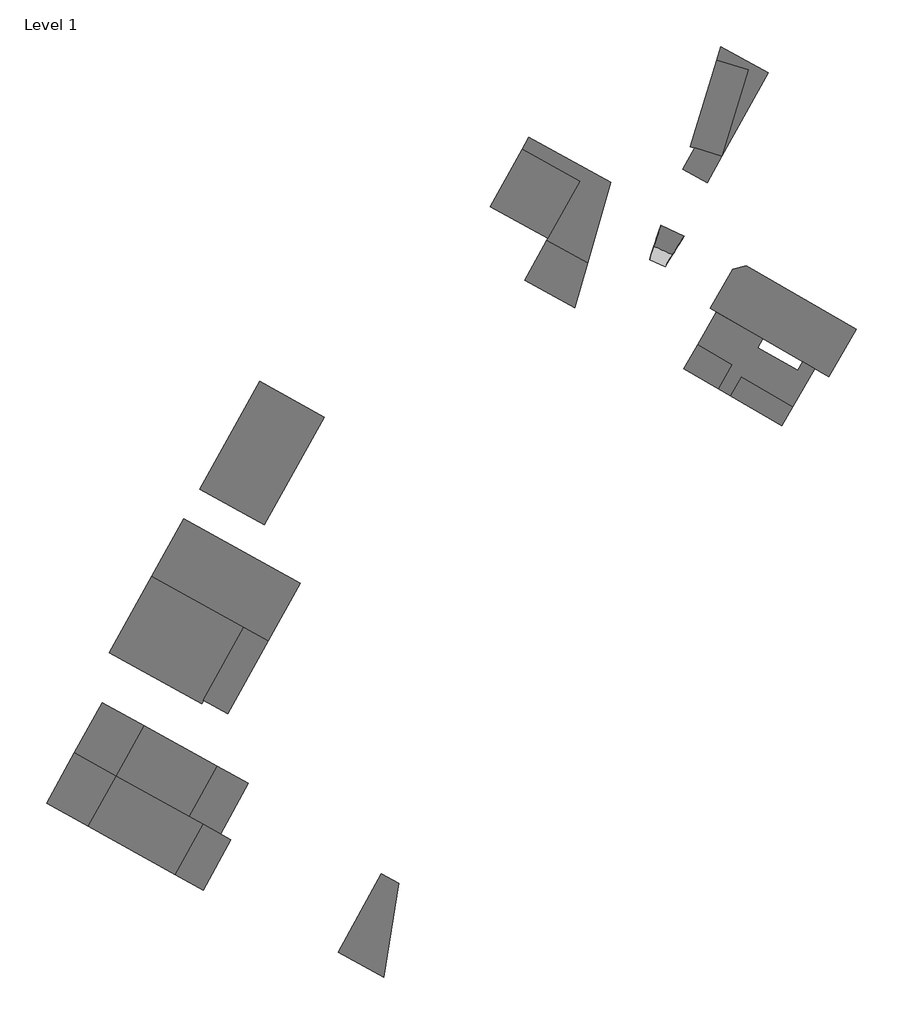
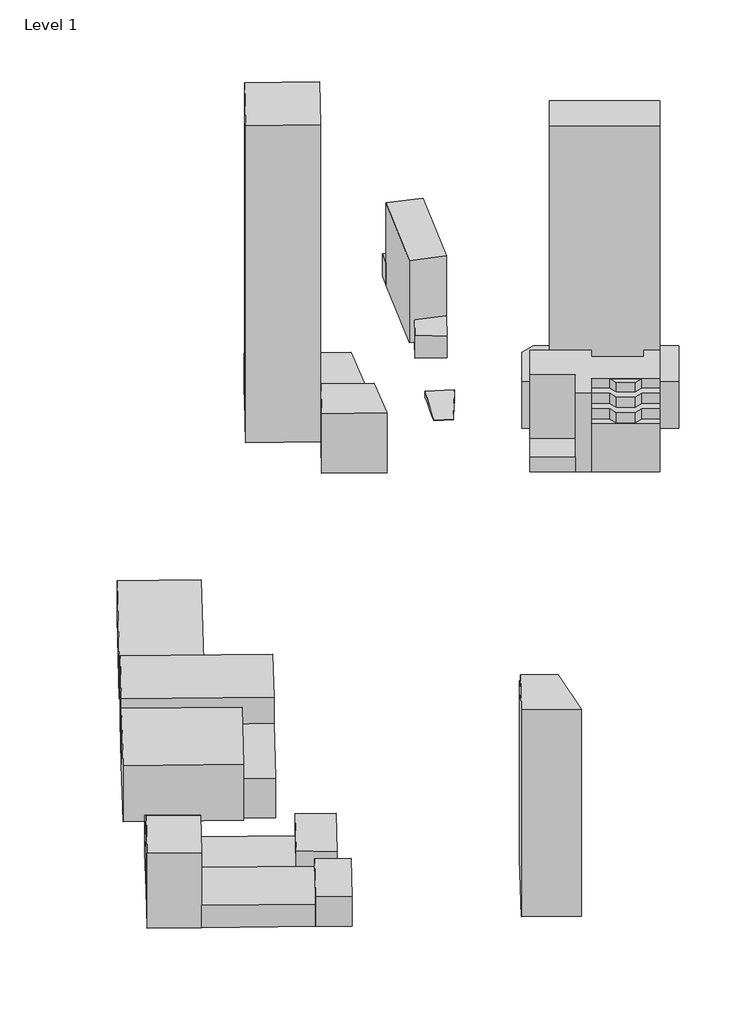
# One storey: 10 proxies.
"""IFC4 building model written with IfcOpenShell, lengths in millimetres."""

from ifc_helpers import new_model, si_unit, frame, origin, origin_with_axes, place, context, project, spatial, polyline, outline, extrude, faceted_brep, element, save
from ifc_brep_helpers import plane_surface, spline_surface, advanced_brep

model = new_model("IFC4")

# Units and contexts
model_context = context("Model", 3, world=origin())
ifc_project = project(units=[si_unit("LENGTHUNIT", "METRE", prefix="MILLI")], contexts=[model_context])

# Site, building, storey
site = spatial("IfcSite", under=ifc_project)
building = spatial("IfcBuilding", under=site)
storey = spatial("IfcBuildingStorey", under=building, Name="Level 1", Elevation=0.0)

# Proxies
placement = place(None, origin())
element("IfcBuildingElementProxy", 1, Name="Mass 1 : Mass 1", ObjectType="Mass 1 : Mass 1", at=placement, inside=storey, context=model_context, shape_type="Brep", body=[
    faceted_brep([(-140610.4541728, -362588.8204276, 0.0), (-140610.4541728, -362588.8204276, 95121.373936), (-143606.9876226, -381508.1880351, 95121.373936), (-143606.9876226, -381508.1880351, 111000.0), (-148101.7877973, -409887.2394464, 111000.0), (-148101.7877973, -409887.2394464, 0.0), (-171173.0841552, -397098.6110464, 111000.0), (-171173.0841552, -397098.6110464, 0.0), (-158083.2244086, -373483.8789537, 111000.0), (-158083.2244086, -373483.8789537, 95121.373936), (-149356.6512442, -357740.7242252, 95121.373936), (-149356.6512442, -357740.7242252, 0.0)], [[[0, 1, 2, 3, 4, 5]], [[5, 4, 6, 7]], [[7, 6, 8, 9, 10, 11]], [[8, 3, 2, 9]], [[4, 3, 8, 6]], [[0, 5, 7, 11]], [[0, 11, 10, 1]], [[1, 10, 9, 2]]]),
])
element("IfcBuildingElementProxy", 2, Name="Mass 10 : Mass 10", ObjectType="Mass 10 : Mass 10", at=placement, inside=storey, context=model_context, shape_type="SweptSolid", body=[
    extrude(outline(polyline([(2237.1889507, -3352.3007344), (8209.4785926, 7421.9949879), (21896.8470158, 3237.3465125), (14481.8648507, -10139.6354178), (2237.1889507, -3352.3007344)])), origin_with_axes(), (0.0, 0.0, 1.0), 12000.0),
    extrude(outline(polyline([(19287.7506796, 51577.9271814), (35189.6731241, 46716.2215959), (21896.8470158, 3237.3465125), (5994.9245713, 8099.0520979), (19287.7506796, 51577.9271814)])), origin_with_axes(), (0.0, 0.0, 1.0), 44000.0),
    extrude(outline(polyline([(45167.7087876, 45219.0924552), (21896.8470158, 3237.3465125), (35189.6731241, 46716.2215959), (19287.7506796, 51577.9271814), (21375.6781957, 58407.2303647), (45167.7087876, 45219.0924552)])), origin_with_axes(), (0.0, 0.0, 1.0), 12000.0),
])
element("IfcBuildingElementProxy", 3, Name="Mass 12 : Mass 12", ObjectType="Mass 12 : Mass 12", at=placement, inside=storey, context=model_context, shape_type="SweptSolid", body=[
    extrude(outline(polyline([(-94523.9815468, -22121.5444428), (-78525.2640786, 6740.9058928), (-49662.813743, -9257.8115753), (-65661.5312112, -38120.2619109), (-94523.9815468, -22121.5444428)])), origin_with_axes(), (0.0, 0.0, 1.0), 170000.0),
    extrude(outline(polyline([(-75131.5967369, 12863.2438428), (-34024.4705014, -9922.8083088), (-45622.8682733, -50371.2282242), (-66146.3408314, -38994.8816181), (-49662.813743, -9257.8115753), (-78525.2640786, 6740.9058928), (-75131.5967369, 12863.2438428)])), origin_with_axes(), (0.0, 0.0, 1.0), 20000.0),
])
element("IfcBuildingElementProxy", 4, Name="Mass 13 : Mass 13", ObjectType="Mass 13 : Mass 13", at=placement, inside=storey, context=model_context, shape_type="SweptSolid", body=[
    extrude(outline(polyline([(-77296.9620971, -59111.1348823), (-66146.3408314, -38994.8816181), (-45622.8682733, -50371.2282242), (-52129.2865357, -73061.80525), (-77296.9620971, -59111.1348823)])), origin_with_axes(), (0.0, 0.0, 1.0), 32000.0),
])
element("IfcBuildingElementProxy", 5, Name="Mass 19 : Mass 19", ObjectType="Mass 19 : Mass 19", at=placement, inside=storey, context=model_context, shape_type="SweptSolid", body=[
    extrude(outline(polyline([(-239108.7123003, -365942.95925), (-253102.6276145, -358186.005326), (-239043.1486273, -332822.033819), (-225049.2333131, -340578.9877429), (-239108.7123003, -365942.95925)])), origin_with_axes(), (0.0, 0.0, 1.0), 16000.0),
    extrude(outline(polyline([(-253102.6276145, -358186.005326), (-296833.6129715, -333945.5243137), (-282774.1339843, -308581.5528067), (-239043.1486273, -332822.033819), (-253102.6276145, -358186.005326)])), origin_with_axes(), (0.0, 0.0, 1.0), 12000.0),
    extrude(outline(polyline([(-317824.4859428, -322310.0934278), (-303765.0069557, -296946.1219207), (-282774.1339843, -308581.5528067), (-296833.6129715, -333945.5243137), (-317824.4859428, -322310.0934278)])), origin_with_axes(), (0.0, 0.0, 1.0), 40000.0),
    extrude(outline(polyline([(-216237.4725688, -312306.1585144), (-230296.9515559, -337670.1300214), (-246040.1062845, -328943.556857), (-231980.6272973, -303579.58535), (-216237.4725688, -312306.1585144)])), origin_with_axes(), (0.0, 0.0, 1.0), 20000.0),
    extrude(outline(polyline([(-231980.6272973, -303579.58535), (-246040.1062845, -328943.556857), (-282774.1339843, -308581.5528067), (-268714.6549972, -283217.5812996), (-231980.6272973, -303579.58535)])), origin_with_axes(), (0.0, 0.0, 1.0), 8000.0),
    extrude(outline(polyline([(-303765.0069557, -296946.1219207), (-289705.5279685, -271582.1504137), (-268714.6549972, -283217.5812996), (-282774.1339843, -308581.5528067), (-303765.0069557, -296946.1219207)])), origin_with_axes(), (0.0, 0.0, 1.0), 20000.0),
])
element("IfcBuildingElementProxy", 6, Name="Mass 20 : Mass 20", ObjectType="Mass 20 : Mass 20", at=placement, inside=storey, context=model_context, shape_type="SweptSolid", body=[
    extrude(outline(polyline([(-206284.9606361, -240453.029747), (-264884.4810144, -207970.7851905), (-248885.7635463, -179108.3348549), (-190286.243168, -211590.5794114), (-206284.9606361, -240453.029747)])), origin_with_axes(), (0.0, 0.0, 1.0), 35000.0),
    extrude(outline(polyline([(-238891.6405864, -270399.7227634), (-218529.636536, -233665.6950636), (-206284.9606361, -240453.029747), (-226646.9646864, -277187.0574469), (-238891.6405864, -270399.7227634)])), origin_with_axes(), (0.0, 0.0, 1.0), 21000.0),
    extrude(outline(polyline([(-239861.2598269, -272148.9621777), (-286216.1043053, -246454.0523047), (-264884.4810144, -207970.7851905), (-218529.636536, -233665.6950636), (-239861.2598269, -272148.9621777)])), origin_with_axes(), (0.0, 0.0, 1.0), 30000.0),
])
element("IfcBuildingElementProxy", 7, Name="Mass 21 : Mass 21", ObjectType="Mass 21 : Mass 21", at=placement, inside=storey, context=model_context, shape_type="SweptSolid", body=[
    extrude(outline(polyline([(-210585.8035468, -110013.3779909), (-178224.8743827, -127951.33394), (-208283.070838, -182177.7557827), (-240644.0000021, -164239.7998336), (-210585.8035468, -110013.3779909)])), origin_with_axes(), (0.0, 0.0, 1.0), 20000.0),
])
element("IfcBuildingElementProxy", 8, Name="Mass 7 : Mass 7", ObjectType="Mass 7 : Mass 7", at=placement, inside=storey, context=model_context, shape_type="SweptSolid", body=[
    extrude(outline(polyline([(9662.3052484, -91632.5000331), (26982.8133241, -101632.5000331), (19982.8133241, -113756.8556861), (2662.3052484, -103756.8556861), (9662.3052484, -91632.5000331)])), origin_with_axes(), (0.0, 0.0, 1.0), 8000.0),
    extrude(outline(polyline([(9662.3052484, -91632.5000331), (19184.3980256, -75139.7515486), (42567.0839278, -88639.7515486), (40044.9911506, -93008.1443801), (59963.5754377, -104508.1443801), (62463.5754377, -100178.0173612), (68525.7532642, -103678.0173612), (57525.7532642, -122730.5762444), (31544.9911506, -107730.5762444), (26044.9911506, -117256.8556861), (19982.8133241, -113756.8556861), (26982.8133241, -101632.5000331), (9662.3052484, -91632.5000331)])), origin_with_axes(), (0.0, 0.0, 1.0), 42000.0),
    extrude(outline(polyline([(57525.7532642, -122730.5762444), (52025.7532642, -132256.8556861), (26044.9911506, -117256.8556861), (31544.9911506, -107730.5762444), (57525.7532642, -122730.5762444)])), origin_with_axes(), (0.0, 0.0, 1.0), 26000.0),
    extrude(outline(polyline([(46597.5500339, -125658.7794747), (42499.4738225, -126756.8556861), (35571.2705922, -122756.8556861), (34473.1943809, -118658.7794747), (27544.9911506, -114658.7794747), (31544.9911506, -107730.5762444), (57525.7532642, -122730.5762444), (53525.7532642, -129658.7794747), (46597.5500339, -125658.7794747)])), frame((0.0, 0.0, 26000.0), z_axis=(0.0, 0.0, 1.0), x_axis=(1.0, 0.0, 0.0)), (0.0, 0.0, 1.0), 5500.0),
    extrude(outline(polyline([(44499.4738225, -123292.7540709), (37571.2705922, -119292.7540709), (36473.1943809, -115194.6778596), (29544.9911506, -111194.6778596), (31544.9911506, -107730.5762444), (57525.7532642, -122730.5762444), (55525.7532642, -126194.6778596), (48597.5500339, -122194.6778596), (44499.4738225, -123292.7540709)])), frame((0.0, 0.0, 31500.0), z_axis=(0.0, 0.0, 1.0), x_axis=(1.0, 0.0, 0.0)), (0.0, 0.0, 1.0), 5500.0),
    extrude(outline(polyline([(50597.5500339, -118730.5762444), (46499.4738225, -119828.6524558), (39571.2705922, -115828.6524558), (38473.1943809, -111730.5762444), (50597.5500339, -118730.5762444)])), frame((0.0, 0.0, 37000.0), z_axis=(0.0, 0.0, 1.0), x_axis=(1.0, 0.0, 0.0)), (0.0, 0.0, 1.0), 5000.0),
])
element("IfcBuildingElementProxy", 9, Name="Mass 8 : Mass 8", ObjectType="Mass 8 : Mass 8", at=placement, inside=storey, context=model_context, shape_type="SweptSolid", body=[
    extrude(outline(polyline([(16026.3396288, -73316.4456831), (27344.7282583, -53712.4215171), (34174.8552772, -51882.2944982), (89600.4811194, -83882.2944982), (75782.09249, -107816.4456831), (16026.3396288, -73316.4456831)])), origin_with_axes(), (0.0, 0.0, 1.0), 25000.0),
    extrude(outline(polyline([(26595.0010718, -79418.2652122), (36290.1517787, -62625.7716008), (78242.9967482, -86847.2579372), (68547.8460413, -103639.7515486), (26595.0010718, -79418.2652122)])), frame((0.0, 0.0, 25000.0), z_axis=(0.0, 0.0, 1.0), x_axis=(1.0, 0.0, 0.0)), (0.0, 0.0, 1.0), 137000.0),
])
element("IfcBuildingElementProxy", 10, Name="Mass 9 : Mass 9", ObjectType="Mass 9 : Mass 9", at=placement, inside=storey, context=model_context, shape_type="AdvancedBrep", body=[
    advanced_brep(
    [(2845.789653, -37159.8764721, 0.0), (-8936.2115785, -31665.8390695, 0.0), (-8666.9719744, -31088.4528752, 3000.0), (3115.0292571, -36582.4902779, 3000.0), (-14498.5174772, -48784.8563628, 0.0), (-14498.5174772, -48784.8563628, 100.0), (-6692.7571032, -52424.7422029, 0.0), (-6692.7571032, -52424.7422029, 100.0)],
    [
        (0, 1),
        (1, 2),
        (2, 3),
        (3, 0),
        (1, 4),
        (4, 5),
        (5, 2),
        (4, 6),
        (6, 7),
        (7, 5),
        (6, 0),
        (3, 7),
    ],
    [
        plane_surface(frame((-3045.2109628, -34412.8577708, 0.0), z_axis=(0.41339969187721953, 0.8865385001672109, -0.20772622000386018), x_axis=(-0.9063077870366489, 0.42261826174070155, 0.0))),
        spline_surface(1, 1, [[(-8936.2115785, -31665.8390695, 0.0), (-8666.9719744, -31088.4528752, 3000.0)], [(-14498.5174772, -48784.8563628, 0.0), (-14498.5174772, -48784.8563628, 100.0)]], [2, 2], [2, 2], [0.0, 1.0], [0.0, 1.0]),
        plane_surface(frame((-10595.6372902, -50604.7992828, 0.0), z_axis=(-0.422618261740705, -0.9063077870366474, 0.0), x_axis=(0.9063077870366474, -0.422618261740705, 0.0))),
        spline_surface(1, 1, [[(-6692.7571032, -52424.7422029, 0.0), (-6692.7571032, -52424.7422029, 100.0)], [(2845.789653, -37159.8764721, 0.0), (3115.0292571, -36582.4902779, 3000.0)]], [2, 2], [2, 2], [0.0, 1.0], [0.0, 1.0]),
        plane_surface(frame((-6685.8043245, -42220.1354297, 1550.0), z_axis=(-0.06543898685734555, -0.14033436018670933, 0.9879392726023556), x_axis=(-0.30925393785385974, -0.9384617614176158, -0.15379052077038788))),
        plane_surface(frame((-6820.4241265, -42508.8285268, 0.0), z_axis=(0.0, 0.0, -1.0), x_axis=(-0.529919264233206, -0.8480480961564253, 0.0))),
    ],
    [
        (0, [[1, 2, 3, 4]]),
        (1, [[5, 6, 7, -2]]),
        (2, [[8, 9, 10, -6]]),
        (3, [[11, -4, 12, -9]]),
        (4, [[-7, -10, -12, -3]]),
        (5, [[-11, -8, -5, -1]]),
    ],
),
])

save(model, "model.ifc")
